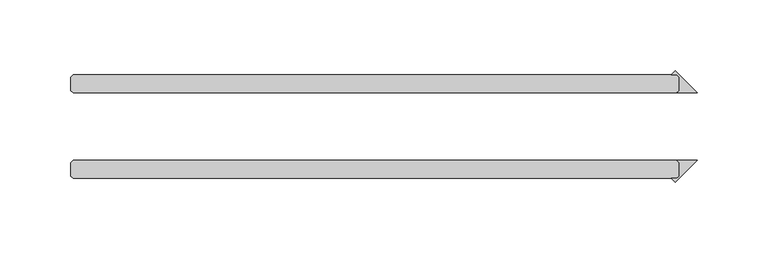
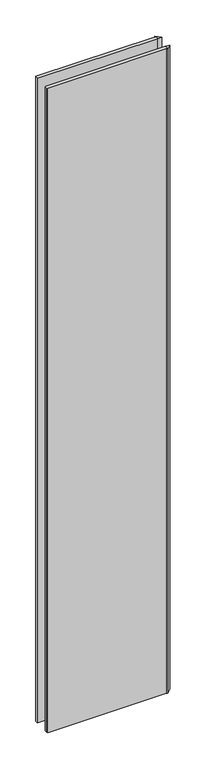
"""IFC4 building model written with IfcOpenShell, lengths in millimetres: plate geometry."""

from ifc_helpers import new_model, si_unit, origin, origin_with_axes, place, context, project, spatial, polyline, outline, extrude, source, transform, mapped, element, save


def plate_bd24c3a3(model_context):
    return source(origin(), model_context, "Body", "SweptSolid", [
        extrude(outline(polyline([(218.28125, 25.4), (218.28125, 34.925), (216.69375, 36.5125), (212.861186, 36.5125), (215.571218, 39.222532), (230.98125, 23.8125), (216.69375, 23.8125), (218.28125, 25.4)])), origin_with_axes(), (0.0, 0.0, 1.0), 2417.7625023),
        extrude(outline(polyline([(218.28125, -25.4), (216.69375, -23.8125), (230.98125, -23.8125), (215.571218, -39.222532), (212.861186, -36.5125), (216.69375, -36.5125), (218.28125, -34.925), (218.28125, -25.4)])), origin_with_axes(), (0.0, 0.0, 1.0), 2417.7625023),
        extrude(outline(polyline([(216.69375, 23.8125), (-208.75625, 23.8125), (-210.34375, 25.4), (-210.34375, 34.925), (-208.75625, 36.5125), (216.69375, 36.5125), (218.28125, 34.925), (218.28125, 25.4), (216.69375, 23.8125)])), origin_with_axes(), (0.0, 0.0, 1.0), 2417.7625023),
        extrude(outline(polyline([(216.69375, -36.5125), (-208.75625, -36.5125), (-210.34375, -34.925), (-210.34375, -25.4), (-208.75625, -23.8125), (216.69375, -23.8125), (218.28125, -25.4), (218.28125, -34.925), (216.69375, -36.5125)])), origin_with_axes(), (0.0, 0.0, 1.0), 2417.7625023),
    ])


if __name__ == "__main__":
    model = new_model("IFC4")
    model_context = context("Model", 3, world=origin())
    ifc_project = project(units=[si_unit("LENGTHUNIT", "METRE", prefix="MILLI")], contexts=[model_context])
    site = spatial("IfcSite", under=ifc_project)
    building = spatial("IfcBuilding", under=site)
    placement = place(None, origin())
    plate_shape = plate_bd24c3a3(model_context)
    element("IfcPlate", 1, at=placement, inside=building, context=model_context, shape_type="MappedRepresentation", body=[
        mapped(plate_shape, transform((0.0, 0.0, 0.0), x_axis=(1.0, 0.0, 0.0), y_axis=(0.0, 1.0, 0.0), z_axis=(0.0, 0.0, 1.0))),
    ])
    save(model, "model.ifc")
